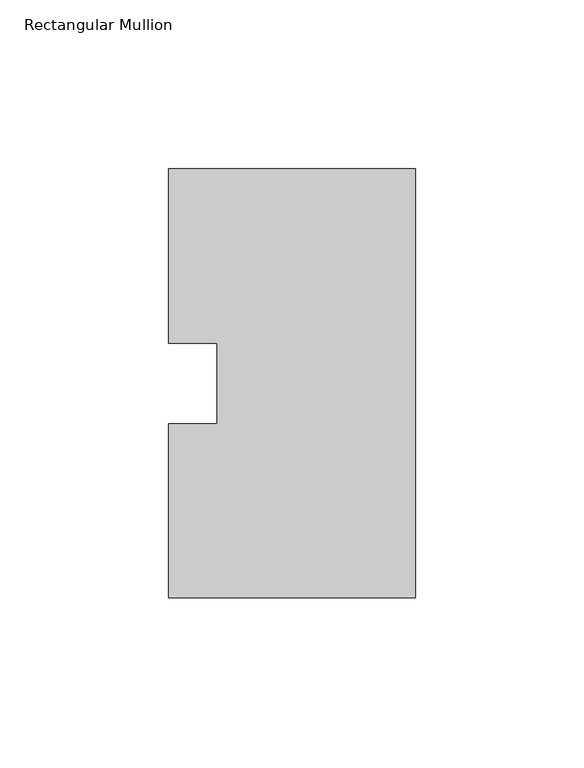
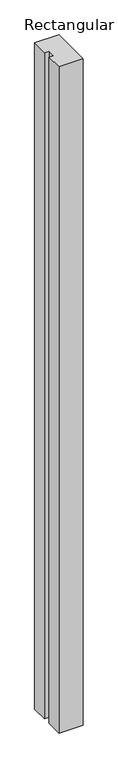
"""IFC4 building model written with IfcOpenShell, lengths in millimetres: member geometry, Rectangular Mullion."""

from ifc_helpers import new_model, si_unit, frame, origin, place, context, project, spatial, polyline, outline, extrude, source, transform, mapped, element, save


def rectangular_mullion_f0e84e80(model_context):
    return source(origin(), model_context, "Body", "SweptSolid", [
        extrude(outline(polyline([(0.0, 127.00635), (0.0, 0.00635), (-73.025, 0.00635), (-73.025, 51.60645), (-58.7375, 51.60645), (-58.7375, 75.40625), (-73.025, 75.40625), (-73.025, 127.00635), (0.0, 127.00635)])), frame((0.0, 0.0, -2133.6), z_axis=(0.0, 0.0, 1.0), x_axis=(1.0, 0.0, 0.0)), (0.0, 0.0, 1.0), 2133.6),
    ])


if __name__ == "__main__":
    model = new_model("IFC4")
    model_context = context("Model", 3, world=origin())
    ifc_project = project(units=[si_unit("LENGTHUNIT", "METRE", prefix="MILLI")], contexts=[model_context])
    site = spatial("IfcSite", under=ifc_project)
    building = spatial("IfcBuilding", under=site)
    placement = place(None, origin())
    rectangular_mullion_shape = rectangular_mullion_f0e84e80(model_context)
    element("IfcMember", 1, ObjectType="Rectangular Mullion", at=placement, inside=building, context=model_context, shape_type="MappedRepresentation", body=[
        mapped(rectangular_mullion_shape, transform((0.0, 0.0, 0.0), x_axis=(1.0, 0.0, 0.0), y_axis=(0.0, 1.0, 0.0), z_axis=(0.0, 0.0, 1.0))),
    ])
    save(model, "model.ifc")
